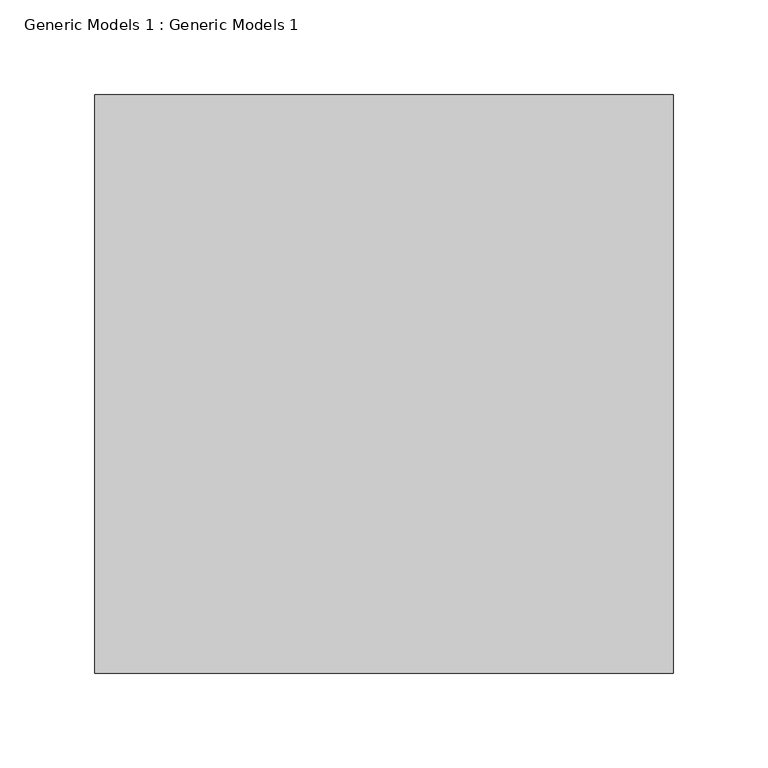
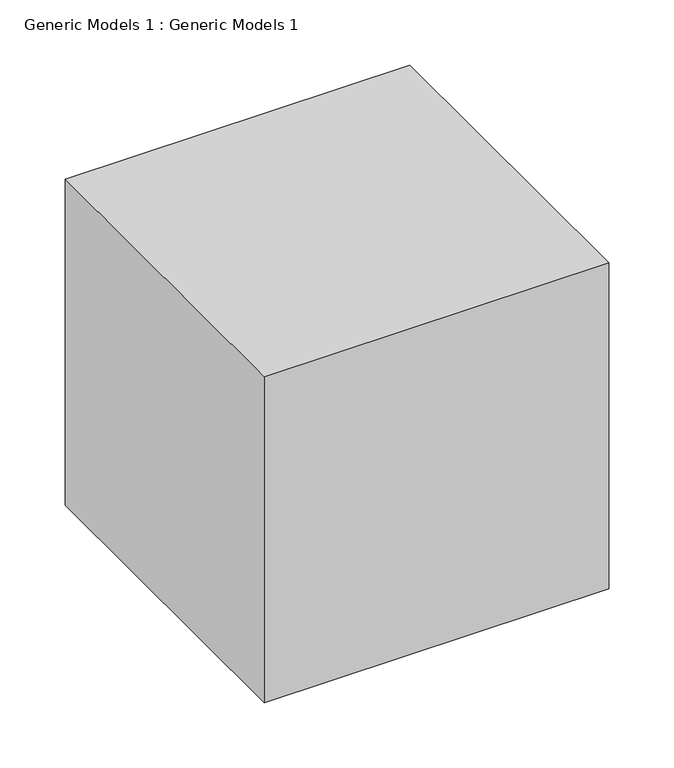
"""IFC4 building model written with IfcOpenShell, lengths in millimetres: proxy geometry, Generic Models 1 : Generic Models 1."""

from ifc_helpers import new_model, si_unit, frame, origin, place, context, project, spatial, polyline, outline, extrude, source, transform, mapped, element, save


def generic_models_1_generic_models_1_812f4ac6(model_context):
    return source(origin(), model_context, "Body", "SweptSolid", [
        extrude(outline(polyline([(304.8, 0.0), (0.0, 0.0), (0.0, 304.8), (304.8, 304.8), (304.8, 0.0)])), frame((0.0, 0.0, -3860.8), z_axis=(0.0, 0.0, 1.0), x_axis=(1.0, 0.0, 0.0)), (0.0, 0.0, 1.0), 304.8),
    ])


if __name__ == "__main__":
    model = new_model("IFC4")
    model_context = context("Model", 3, world=origin())
    ifc_project = project(units=[si_unit("LENGTHUNIT", "METRE", prefix="MILLI")], contexts=[model_context])
    site = spatial("IfcSite", under=ifc_project)
    building = spatial("IfcBuilding", under=site)
    placement = place(None, origin())
    generic_models_1_generic_models_1_shape = generic_models_1_generic_models_1_812f4ac6(model_context)
    element("IfcBuildingElementProxy", 1, Name="Generic Models 1 : Generic Models 1", ObjectType="Generic Models 1 : Generic Models 1", at=placement, inside=building, context=model_context, shape_type="MappedRepresentation", body=[
        mapped(generic_models_1_generic_models_1_shape, transform((0.0, 0.0, 0.0), x_axis=(1.0, 0.0, 0.0), y_axis=(0.0, 1.0, 0.0), z_axis=(0.0, 0.0, 1.0))),
    ])
    save(model, "model.ifc")
